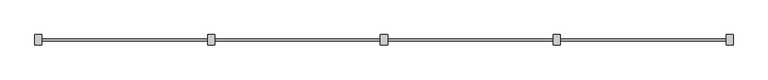
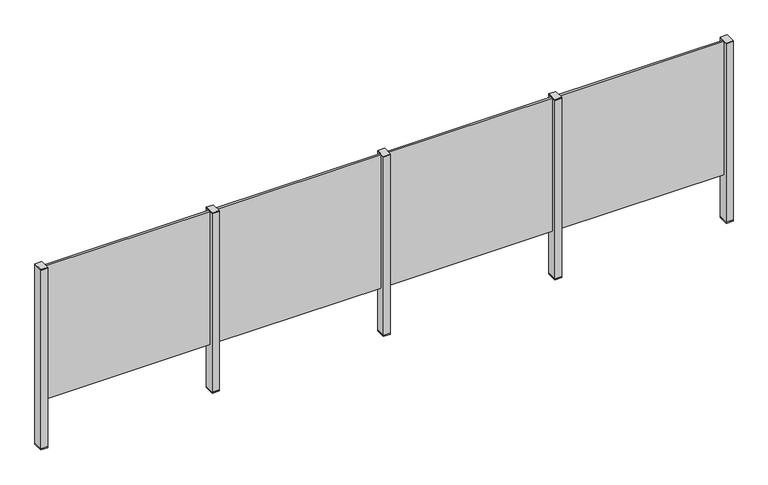
"""IFC4 building model written with IfcOpenShell, lengths in millimetres: railing geometry."""

from ifc_helpers import new_model, si_unit, frame, origin, place, context, project, spatial, polyline, outline, extrude, source, transform, mapped, element, save


def railing_4c23fd87(model_context):
    return source(origin(), model_context, "Body", "SweptSolid", [
        extrude(outline(polyline([(51337.0, -139.6905071), (51337.0, -126.4905071), (52417.0, -126.4905071), (52417.0, -139.6905071), (51337.0, -139.6905071)])), frame((0.0, 0.0, 95.0), z_axis=(0.0, 0.0, 1.0), x_axis=(1.0, 0.0, 0.0)), (0.0, 0.0, 1.0), 905.0),
        extrude(outline(polyline([(51349.5, -99.8153172), (51349.5, -164.8153172), (51304.5, -164.8153172), (51304.5, -99.8153172), (51349.5, -99.8153172)])), frame((0.0, 0.0, 1000.0), z_axis=(0.0, 0.0, 1.0), x_axis=(1.0, 0.0, 0.0)), (0.0, 0.0, 1.0), 5.0),
        extrude(outline(polyline([(51349.5, -99.8153172), (51349.5, -164.8153172), (51304.5, -164.8153172), (51304.5, -99.8153172), (51349.5, -99.8153172)])), frame((0.0, 0.0, -212.0), z_axis=(0.0, 0.0, 1.0), x_axis=(1.0, 0.0, 0.0)), (0.0, 0.0, 1.0), 1212.0),
        extrude(outline(polyline([(51349.5, -99.8153172), (51349.5, -164.8153172), (51304.5, -164.8153172), (51304.5, -99.8153172), (51349.5, -99.8153172)])), frame((0.0, 0.0, -220.0), z_axis=(0.0, 0.0, 1.0), x_axis=(1.0, 0.0, 0.0)), (0.0, 0.0, 1.0), 8.0),
        extrude(outline(polyline([(50237.0, -139.6905071), (50237.0, -126.4905071), (51317.0, -126.4905071), (51317.0, -139.6905071), (50237.0, -139.6905071)])), frame((0.0, 0.0, 95.0), z_axis=(0.0, 0.0, 1.0), x_axis=(1.0, 0.0, 0.0)), (0.0, 0.0, 1.0), 905.0),
        extrude(outline(polyline([(50249.5, -99.8153172), (50249.5, -164.8153172), (50204.5, -164.8153172), (50204.5, -99.8153172), (50249.5, -99.8153172)])), frame((0.0, 0.0, 1000.0), z_axis=(0.0, 0.0, 1.0), x_axis=(1.0, 0.0, 0.0)), (0.0, 0.0, 1.0), 5.0),
        extrude(outline(polyline([(50249.5, -99.8153172), (50249.5, -164.8153172), (50204.5, -164.8153172), (50204.5, -99.8153172), (50249.5, -99.8153172)])), frame((0.0, 0.0, -212.0), z_axis=(0.0, 0.0, 1.0), x_axis=(1.0, 0.0, 0.0)), (0.0, 0.0, 1.0), 1212.0),
        extrude(outline(polyline([(50249.5, -99.8153172), (50249.5, -164.8153172), (50204.5, -164.8153172), (50204.5, -99.8153172), (50249.5, -99.8153172)])), frame((0.0, 0.0, -220.0), z_axis=(0.0, 0.0, 1.0), x_axis=(1.0, 0.0, 0.0)), (0.0, 0.0, 1.0), 8.0),
        extrude(outline(polyline([(49137.0, -139.6905071), (49137.0, -126.4905071), (50217.0, -126.4905071), (50217.0, -139.6905071), (49137.0, -139.6905071)])), frame((0.0, 0.0, 95.0), z_axis=(0.0, 0.0, 1.0), x_axis=(1.0, 0.0, 0.0)), (0.0, 0.0, 1.0), 905.0),
        extrude(outline(polyline([(49149.5, -99.8153172), (49149.5, -164.8153172), (49104.5, -164.8153172), (49104.5, -99.8153172), (49149.5, -99.8153172)])), frame((0.0, 0.0, 1000.0), z_axis=(0.0, 0.0, 1.0), x_axis=(1.0, 0.0, 0.0)), (0.0, 0.0, 1.0), 5.0),
        extrude(outline(polyline([(49149.5, -99.8153172), (49149.5, -164.8153172), (49104.5, -164.8153172), (49104.5, -99.8153172), (49149.5, -99.8153172)])), frame((0.0, 0.0, -212.0), z_axis=(0.0, 0.0, 1.0), x_axis=(1.0, 0.0, 0.0)), (0.0, 0.0, 1.0), 1212.0),
        extrude(outline(polyline([(49149.5, -99.8153172), (49149.5, -164.8153172), (49104.5, -164.8153172), (49104.5, -99.8153172), (49149.5, -99.8153172)])), frame((0.0, 0.0, -220.0), z_axis=(0.0, 0.0, 1.0), x_axis=(1.0, 0.0, 0.0)), (0.0, 0.0, 1.0), 8.0),
        extrude(outline(polyline([(48037.0, -139.6905071), (48037.0, -126.4905071), (49117.0, -126.4905071), (49117.0, -139.6905071), (48037.0, -139.6905071)])), frame((0.0, 0.0, 95.0), z_axis=(0.0, 0.0, 1.0), x_axis=(1.0, 0.0, 0.0)), (0.0, 0.0, 1.0), 905.0),
        extrude(outline(polyline([(52449.5, -99.8153172), (52449.5, -164.8153172), (52404.5, -164.8153172), (52404.5, -99.8153172), (52449.5, -99.8153172)])), frame((0.0, 0.0, 1000.0), z_axis=(0.0, 0.0, 1.0), x_axis=(1.0, 0.0, 0.0)), (0.0, 0.0, 1.0), 5.0),
        extrude(outline(polyline([(52449.5, -99.8153172), (52449.5, -164.8153172), (52404.5, -164.8153172), (52404.5, -99.8153172), (52449.5, -99.8153172)])), frame((0.0, 0.0, -212.0), z_axis=(0.0, 0.0, 1.0), x_axis=(1.0, 0.0, 0.0)), (0.0, 0.0, 1.0), 1212.0),
        extrude(outline(polyline([(52449.5, -99.8153172), (52449.5, -164.8153172), (52404.5, -164.8153172), (52404.5, -99.8153172), (52449.5, -99.8153172)])), frame((0.0, 0.0, -220.0), z_axis=(0.0, 0.0, 1.0), x_axis=(1.0, 0.0, 0.0)), (0.0, 0.0, 1.0), 8.0),
        extrude(outline(polyline([(48049.5, -99.8153172), (48049.5, -164.8153172), (48004.5, -164.8153172), (48004.5, -99.8153172), (48049.5, -99.8153172)])), frame((0.0, 0.0, 1000.0), z_axis=(0.0, 0.0, 1.0), x_axis=(1.0, 0.0, 0.0)), (0.0, 0.0, 1.0), 5.0),
        extrude(outline(polyline([(48049.5, -99.8153172), (48049.5, -164.8153172), (48004.5, -164.8153172), (48004.5, -99.8153172), (48049.5, -99.8153172)])), frame((0.0, 0.0, -212.0), z_axis=(0.0, 0.0, 1.0), x_axis=(1.0, 0.0, 0.0)), (0.0, 0.0, 1.0), 1212.0),
        extrude(outline(polyline([(48049.5, -99.8153172), (48049.5, -164.8153172), (48004.5, -164.8153172), (48004.5, -99.8153172), (48049.5, -99.8153172)])), frame((0.0, 0.0, -220.0), z_axis=(0.0, 0.0, 1.0), x_axis=(1.0, 0.0, 0.0)), (0.0, 0.0, 1.0), 8.0),
    ])


if __name__ == "__main__":
    model = new_model("IFC4")
    model_context = context("Model", 3, world=origin())
    ifc_project = project(units=[si_unit("LENGTHUNIT", "METRE", prefix="MILLI")], contexts=[model_context])
    site = spatial("IfcSite", under=ifc_project)
    building = spatial("IfcBuilding", under=site)
    placement = place(None, origin())
    railing_shape = railing_4c23fd87(model_context)
    element("IfcRailing", 1, at=placement, inside=building, context=model_context, shape_type="MappedRepresentation", body=[
        mapped(railing_shape, transform((0.0, 0.0, 0.0), x_axis=(1.0, 0.0, 0.0), y_axis=(0.0, 1.0, 0.0), z_axis=(0.0, 0.0, 1.0))),
    ])
    save(model, "model.ifc")
